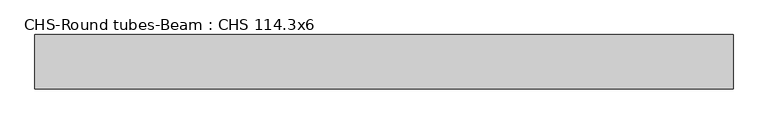
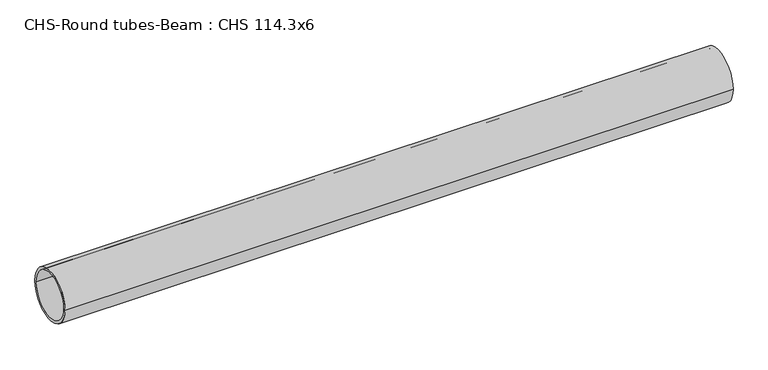
"""IFC4 building model written with IfcOpenShell, lengths in millimetres: beam geometry, CHS-Round tubes-Beam : CHS 114.3x6."""

import ifcopenshell
import ifcopenshell.guid

model = None  # the IFC model being written
_history = None  # IfcOwnerHistory: only IFC2X3 demands one
_inside = {}  # id of a spatial element -> (the spatial element, [elements in it])
_under = {}  # id of a project, library or spatial element -> (it, [spatial elements below it])
_declared = {}  # id of a project -> (the project, [libraries it declares])
_typed = {}  # id of a type object -> (the type object, [elements of that type])
_made_of = {}  # id of a material, layer set ... -> (it, [elements and type objects made of it])


def new_model(schema):
    """Start an empty IFC model of exactly this schema.

    Asked for "IFC4X3", IfcOpenShell would pick the latest addendum, in which some entities
    have other attributes; the version numbers below select the first issue.
    IFC2X3 requires an IfcOwnerHistory on every rooted entity: one is made here for all.
    """
    global model, _history
    if schema == "IFC4X3":
        model = ifcopenshell.file(schema_version=(4, 3, 0, 0))
    else:
        model = ifcopenshell.file(schema=schema)
    _inside.clear()
    _under.clear()
    _declared.clear()
    _typed.clear()
    _made_of.clear()
    _history = None
    if model.schema == "IFC2X3":
        org = make("IfcOrganization", Name="unknown")
        user = make(
            "IfcPersonAndOrganization",
            ThePerson=make("IfcPerson", FamilyName="unknown"),
            TheOrganization=org,
        )
        app = make(
            "IfcApplication",
            ApplicationDeveloper=org,
            Version="unknown",
            ApplicationFullName="unknown",
            ApplicationIdentifier="unknown",
        )
        _history = make(
            "IfcOwnerHistory",
            OwningUser=user,
            OwningApplication=app,
            ChangeAction="ADDED",
            CreationDate=0,
        )
    return model


def make(cls, **values):
    """One entity of the class cls with the attributes given. An attribute that is None is left unset."""
    return model.create_entity(
        cls, **{name: value for name, value in values.items() if value is not None}
    )


def rooted(cls, **values):
    """An entity with a GlobalId (a new one), such as an element, a storey or a relation."""
    return make(cls, GlobalId=ifcopenshell.guid.new(), OwnerHistory=_history, **values)


def si_unit(unit_type, name, prefix=None):
    """IfcSIUnit, for example si_unit("LENGTHUNIT", "METRE", prefix="MILLI")."""
    return make("IfcSIUnit", UnitType=unit_type, Prefix=prefix, Name=name)


def assignment(units):
    """IfcUnitAssignment: the units of a project."""
    return None if units is None else make("IfcUnitAssignment", Units=units)


def point(xyz):
    """IfcCartesianPoint."""
    return None if xyz is None else make("IfcCartesianPoint", Coordinates=xyz)


def direction(xyz):
    """IfcDirection."""
    return None if xyz is None else make("IfcDirection", DirectionRatios=xyz)


def frame(location, z_axis=None, x_axis=None):
    """IfcAxis2Placement3D, a coordinate frame: its origin and axes. An axis left out is left unset."""
    return make(
        "IfcAxis2Placement3D",
        Location=point(location),
        Axis=direction(z_axis),
        RefDirection=direction(x_axis),
    )


def frame_2d(location, x_axis=None):
    """IfcAxis2Placement2D, a coordinate frame in the plane: its origin and x axis."""
    return make(
        "IfcAxis2Placement2D", Location=point(location), RefDirection=direction(x_axis)
    )


def origin():
    """The frame at (0, 0, 0) with its axes left unset."""
    return frame((0.0, 0.0, 0.0))


def origin_2d():
    """The frame at (0, 0) in the plane with its x axis left unset."""
    return frame_2d((0.0, 0.0))


def place(relative_to, where):
    """IfcLocalPlacement: puts the frame where relative to a parent placement (None: the world)."""
    return make(
        "IfcLocalPlacement", PlacementRelTo=relative_to, RelativePlacement=where
    )


def context(
    kind, dimensions, precision=None, world=None, true_north=None, identifier=None
):
    """IfcGeometricRepresentationContext, for example the 3D "Model" context."""
    return make(
        "IfcGeometricRepresentationContext",
        ContextIdentifier=identifier,
        ContextType=kind,
        CoordinateSpaceDimension=dimensions,
        Precision=precision,
        WorldCoordinateSystem=world,
        TrueNorth=true_north,
    )


def project(units=None, contexts=None):
    """IfcProject with its units and contexts."""
    return rooted(
        "IfcProject",
        Name="project",
        RepresentationContexts=contexts,
        UnitsInContext=assignment(units),
    )


def spatial(cls, under=None, at=None, **own):
    """A site, building, storey or space (cls), placed at a placement, below another one or the project."""
    s = rooted(cls, ObjectPlacement=at, **own)
    if under is not None:
        _under.setdefault(under.id(), (under, []))[1].append(s)
    return s


def circle_curve(where, radius):
    """IfcCircle in the frame where."""
    return make("IfcCircle", Position=where, Radius=radius)


def trimmed(basis, trim1, trim2, sense, master):
    """IfcTrimmedCurve: the piece of a basis curve between two trims."""
    return make(
        "IfcTrimmedCurve",
        BasisCurve=basis,
        Trim1=trim1,
        Trim2=trim2,
        SenseAgreement=sense,
        MasterRepresentation=master,
    )


def segment(curve, same_sense, transition):
    """IfcCompositeCurveSegment."""
    return make(
        "IfcCompositeCurveSegment",
        Transition=transition,
        SameSense=same_sense,
        ParentCurve=curve,
    )


def composite_curve(segments, self_intersect=None):
    """IfcCompositeCurve: segments joined end to end."""
    return make("IfcCompositeCurve", Segments=segments, SelfIntersect=self_intersect)


def outline(outer, holes=None, kind="AREA"):
    """IfcArbitraryClosedProfileDef: a profile drawn as a closed curve; with holes, ...WithVoids."""
    if holes is None:
        return make("IfcArbitraryClosedProfileDef", ProfileType=kind, OuterCurve=outer)
    return make(
        "IfcArbitraryProfileDefWithVoids",
        ProfileType=kind,
        OuterCurve=outer,
        InnerCurves=holes,
    )


def extrude(swept, where, along, depth):
    """IfcExtrudedAreaSolid: the profile swept, set in the frame where, extruded along a direction by depth."""
    return make(
        "IfcExtrudedAreaSolid",
        SweptArea=swept,
        Position=where,
        ExtrudedDirection=direction(along),
        Depth=depth,
    )


def shape(context_of_items, identifier, shape_type, items):
    """IfcShapeRepresentation: the items that make up one representation, for example the "Body"."""
    return make(
        "IfcShapeRepresentation",
        ContextOfItems=context_of_items,
        RepresentationIdentifier=identifier,
        RepresentationType=shape_type,
        Items=items,
    )


def source(mapping_origin, context_of_items, identifier, shape_type, items):
    """IfcRepresentationMap: a shape defined once, which mapped items show again and again."""
    return make(
        "IfcRepresentationMap",
        MappingOrigin=mapping_origin,
        MappedRepresentation=shape(context_of_items, identifier, shape_type, items),
    )


def transform(
    local_origin,
    x_axis=None,
    y_axis=None,
    z_axis=None,
    scale=None,
    scale2=None,
    scale3=None,
    uniform=True,
):
    """IfcCartesianTransformationOperator3D, or its non-uniform kind. x_axis, y_axis, z_axis: its Axis1, 2, 3."""
    if uniform:
        return make(
            "IfcCartesianTransformationOperator3D",
            Axis1=direction(x_axis),
            Axis2=direction(y_axis),
            LocalOrigin=point(local_origin),
            Scale=scale,
            Axis3=direction(z_axis),
        )
    return make(
        "IfcCartesianTransformationOperator3DnonUniform",
        Axis1=direction(x_axis),
        Axis2=direction(y_axis),
        LocalOrigin=point(local_origin),
        Scale=scale,
        Axis3=direction(z_axis),
        Scale2=scale2,
        Scale3=scale3,
    )


def mapped(mapping_source, mapping_target):
    """IfcMappedItem: shows the shape of a source again, moved by a transform."""
    return make(
        "IfcMappedItem", MappingSource=mapping_source, MappingTarget=mapping_target
    )


def made_of(thing, what):
    """Note that an element or type object is made of a material, layer set ...; save() writes the relation."""
    if what is not None:
        _made_of.setdefault(what.id(), (what, []))[1].append(thing)
    return thing


def element(
    cls,
    number,
    at=None,
    inside=None,
    cuts=None,
    type_object=None,
    material=None,
    context=None,
    identifier="Body",
    shape_type=None,
    held_by="IfcProductDefinitionShape",
    body=None,
    shapes=None,
    **own,
):
    """One element of the class cls, such as IfcWall. Its Tag is "e" and its number.

    at: its placement. inside: the storey or other place that contains it. cuts: it is an
    opening in that element (IfcRelVoidsElement). A single representation is given by context,
    identifier, shape_type and body (its items); several are given by shapes. held_by: the class
    of the entity that holds the representations. save() writes the other relations.
    """
    e = rooted(cls, Tag="e%d" % number, ObjectPlacement=at, **own)
    if body is not None:
        shapes = [shape(context, identifier, shape_type, body)]
    if shapes is not None:
        e.Representation = make(held_by, Representations=shapes)
    if inside is not None:
        _inside.setdefault(inside.id(), (inside, []))[1].append(e)
    if cuts is not None:
        rooted(
            "IfcRelVoidsElement", RelatingBuildingElement=cuts, RelatedOpeningElement=e
        )
    if type_object is not None:
        _typed.setdefault(type_object.id(), (type_object, []))[1].append(e)
    return made_of(e, material)


def aggregate(whole, parts):
    """IfcRelAggregates: a whole, such as a stair, and the parts it consists of."""
    return rooted("IfcRelAggregates", RelatingObject=whole, RelatedObjects=parts)


def save(model, path):
    """Write the relations noted so far, then the file.

    IfcRelAggregates (storeys below a building ...), IfcRelContainedInSpatialStructure (elements
    in a storey), IfcRelDefinesByType, IfcRelAssociatesMaterial and IfcRelDeclares: one each for
    every whole, place, type object, material and project.
    """
    for whole, parts in _under.values():
        aggregate(whole, parts)
    for where, things in _inside.values():
        rooted(
            "IfcRelContainedInSpatialStructure",
            RelatedElements=things,
            RelatingStructure=where,
        )
    for kind, things in _typed.values():
        rooted("IfcRelDefinesByType", RelatedObjects=things, RelatingType=kind)
    for what, things in _made_of.values():
        rooted("IfcRelAssociatesMaterial", RelatedObjects=things, RelatingMaterial=what)
    for by, libraries in _declared.values():
        rooted("IfcRelDeclares", RelatingContext=by, RelatedDefinitions=libraries)
    model.write(path)


def chs_round_tubes_beam_chs_114_3x6_616a5db3(model_context):
    return source(origin(), model_context, "Body", "SweptSolid", [
        extrude(outline(composite_curve([segment(trimmed(circle_curve(origin_2d(), 57.15), [point((57.15, 0.0))], [point((-57.15, 0.0))], False, "CARTESIAN"), True, "CONTINUOUS"), segment(trimmed(circle_curve(origin_2d(), 57.15), [point((-57.15, 0.0))], [point((57.15, 0.0))], False, "CARTESIAN"), True, "CONTINUOUS")], self_intersect=False), holes=[composite_curve([segment(trimmed(circle_curve(origin_2d(), 51.15), [point((51.15, 0.0))], [point((-51.15, 0.0))], True, "CARTESIAN"), True, "CONTINUOUS"), segment(trimmed(circle_curve(origin_2d(), 51.15), [point((-51.15, 0.0))], [point((51.15, 0.0))], True, "CARTESIAN"), True, "CONTINUOUS")], self_intersect=False)]), frame((-773.7318326, 0.0, 0.0), z_axis=(1.0, 0.0, 0.0), x_axis=(0.0, 1.0, 0.0)), (0.0, 0.0, 1.0), 1467.7803162),
    ])


if __name__ == "__main__":
    model = new_model("IFC4")
    model_context = context("Model", 3, world=origin())
    ifc_project = project(units=[si_unit("LENGTHUNIT", "METRE", prefix="MILLI")], contexts=[model_context])
    site = spatial("IfcSite", under=ifc_project)
    building = spatial("IfcBuilding", under=site)
    placement = place(None, origin())
    chs_round_tubes_beam_chs_114_3x6_shape = chs_round_tubes_beam_chs_114_3x6_616a5db3(model_context)
    element("IfcBeam", 1, ObjectType="CHS-Round tubes-Beam : CHS 114.3x6", at=placement, inside=building, context=model_context, shape_type="MappedRepresentation", body=[
        mapped(chs_round_tubes_beam_chs_114_3x6_shape, transform((0.0, 0.0, 0.0), x_axis=(1.0, 0.0, 0.0), y_axis=(0.0, 1.0, 0.0), z_axis=(0.0, 0.0, 1.0))),
    ])
    save(model, "model.ifc")
